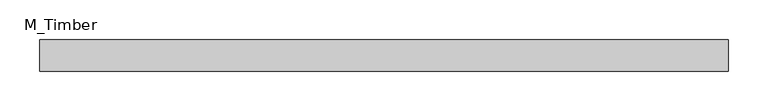
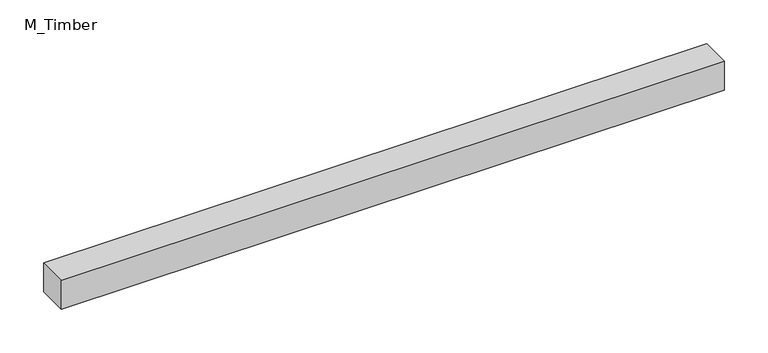
"""IFC4 building model written with IfcOpenShell, lengths in millimetres: beam geometry, M_Timber."""

import ifcopenshell
import ifcopenshell.guid

model = None  # the IFC model being written
_history = None  # IfcOwnerHistory: only IFC2X3 demands one
_inside = {}  # id of a spatial element -> (the spatial element, [elements in it])
_under = {}  # id of a project, library or spatial element -> (it, [spatial elements below it])
_declared = {}  # id of a project -> (the project, [libraries it declares])
_typed = {}  # id of a type object -> (the type object, [elements of that type])
_made_of = {}  # id of a material, layer set ... -> (it, [elements and type objects made of it])


def new_model(schema):
    """Start an empty IFC model of exactly this schema.

    Asked for "IFC4X3", IfcOpenShell would pick the latest addendum, in which some entities
    have other attributes; the version numbers below select the first issue.
    IFC2X3 requires an IfcOwnerHistory on every rooted entity: one is made here for all.
    """
    global model, _history
    if schema == "IFC4X3":
        model = ifcopenshell.file(schema_version=(4, 3, 0, 0))
    else:
        model = ifcopenshell.file(schema=schema)
    _inside.clear()
    _under.clear()
    _declared.clear()
    _typed.clear()
    _made_of.clear()
    _history = None
    if model.schema == "IFC2X3":
        org = make("IfcOrganization", Name="unknown")
        user = make(
            "IfcPersonAndOrganization",
            ThePerson=make("IfcPerson", FamilyName="unknown"),
            TheOrganization=org,
        )
        app = make(
            "IfcApplication",
            ApplicationDeveloper=org,
            Version="unknown",
            ApplicationFullName="unknown",
            ApplicationIdentifier="unknown",
        )
        _history = make(
            "IfcOwnerHistory",
            OwningUser=user,
            OwningApplication=app,
            ChangeAction="ADDED",
            CreationDate=0,
        )
    return model


def make(cls, **values):
    """One entity of the class cls with the attributes given. An attribute that is None is left unset."""
    return model.create_entity(
        cls, **{name: value for name, value in values.items() if value is not None}
    )


def rooted(cls, **values):
    """An entity with a GlobalId (a new one), such as an element, a storey or a relation."""
    return make(cls, GlobalId=ifcopenshell.guid.new(), OwnerHistory=_history, **values)


def si_unit(unit_type, name, prefix=None):
    """IfcSIUnit, for example si_unit("LENGTHUNIT", "METRE", prefix="MILLI")."""
    return make("IfcSIUnit", UnitType=unit_type, Prefix=prefix, Name=name)


def assignment(units):
    """IfcUnitAssignment: the units of a project."""
    return None if units is None else make("IfcUnitAssignment", Units=units)


def point(xyz):
    """IfcCartesianPoint."""
    return None if xyz is None else make("IfcCartesianPoint", Coordinates=xyz)


def direction(xyz):
    """IfcDirection."""
    return None if xyz is None else make("IfcDirection", DirectionRatios=xyz)


def frame(location, z_axis=None, x_axis=None):
    """IfcAxis2Placement3D, a coordinate frame: its origin and axes. An axis left out is left unset."""
    return make(
        "IfcAxis2Placement3D",
        Location=point(location),
        Axis=direction(z_axis),
        RefDirection=direction(x_axis),
    )


def origin():
    """The frame at (0, 0, 0) with its axes left unset."""
    return frame((0.0, 0.0, 0.0))


def place(relative_to, where):
    """IfcLocalPlacement: puts the frame where relative to a parent placement (None: the world)."""
    return make(
        "IfcLocalPlacement", PlacementRelTo=relative_to, RelativePlacement=where
    )


def context(
    kind, dimensions, precision=None, world=None, true_north=None, identifier=None
):
    """IfcGeometricRepresentationContext, for example the 3D "Model" context."""
    return make(
        "IfcGeometricRepresentationContext",
        ContextIdentifier=identifier,
        ContextType=kind,
        CoordinateSpaceDimension=dimensions,
        Precision=precision,
        WorldCoordinateSystem=world,
        TrueNorth=true_north,
    )


def project(units=None, contexts=None):
    """IfcProject with its units and contexts."""
    return rooted(
        "IfcProject",
        Name="project",
        RepresentationContexts=contexts,
        UnitsInContext=assignment(units),
    )


def spatial(cls, under=None, at=None, **own):
    """A site, building, storey or space (cls), placed at a placement, below another one or the project."""
    s = rooted(cls, ObjectPlacement=at, **own)
    if under is not None:
        _under.setdefault(under.id(), (under, []))[1].append(s)
    return s


def polyline(points):
    """IfcPolyline through the points."""
    return make("IfcPolyline", Points=[point(p) for p in points])


def outline(outer, holes=None, kind="AREA"):
    """IfcArbitraryClosedProfileDef: a profile drawn as a closed curve; with holes, ...WithVoids."""
    if holes is None:
        return make("IfcArbitraryClosedProfileDef", ProfileType=kind, OuterCurve=outer)
    return make(
        "IfcArbitraryProfileDefWithVoids",
        ProfileType=kind,
        OuterCurve=outer,
        InnerCurves=holes,
    )


def extrude(swept, where, along, depth):
    """IfcExtrudedAreaSolid: the profile swept, set in the frame where, extruded along a direction by depth."""
    return make(
        "IfcExtrudedAreaSolid",
        SweptArea=swept,
        Position=where,
        ExtrudedDirection=direction(along),
        Depth=depth,
    )


def shape(context_of_items, identifier, shape_type, items):
    """IfcShapeRepresentation: the items that make up one representation, for example the "Body"."""
    return make(
        "IfcShapeRepresentation",
        ContextOfItems=context_of_items,
        RepresentationIdentifier=identifier,
        RepresentationType=shape_type,
        Items=items,
    )


def source(mapping_origin, context_of_items, identifier, shape_type, items):
    """IfcRepresentationMap: a shape defined once, which mapped items show again and again."""
    return make(
        "IfcRepresentationMap",
        MappingOrigin=mapping_origin,
        MappedRepresentation=shape(context_of_items, identifier, shape_type, items),
    )


def transform(
    local_origin,
    x_axis=None,
    y_axis=None,
    z_axis=None,
    scale=None,
    scale2=None,
    scale3=None,
    uniform=True,
):
    """IfcCartesianTransformationOperator3D, or its non-uniform kind. x_axis, y_axis, z_axis: its Axis1, 2, 3."""
    if uniform:
        return make(
            "IfcCartesianTransformationOperator3D",
            Axis1=direction(x_axis),
            Axis2=direction(y_axis),
            LocalOrigin=point(local_origin),
            Scale=scale,
            Axis3=direction(z_axis),
        )
    return make(
        "IfcCartesianTransformationOperator3DnonUniform",
        Axis1=direction(x_axis),
        Axis2=direction(y_axis),
        LocalOrigin=point(local_origin),
        Scale=scale,
        Axis3=direction(z_axis),
        Scale2=scale2,
        Scale3=scale3,
    )


def mapped(mapping_source, mapping_target):
    """IfcMappedItem: shows the shape of a source again, moved by a transform."""
    return make(
        "IfcMappedItem", MappingSource=mapping_source, MappingTarget=mapping_target
    )


def made_of(thing, what):
    """Note that an element or type object is made of a material, layer set ...; save() writes the relation."""
    if what is not None:
        _made_of.setdefault(what.id(), (what, []))[1].append(thing)
    return thing


def element(
    cls,
    number,
    at=None,
    inside=None,
    cuts=None,
    type_object=None,
    material=None,
    context=None,
    identifier="Body",
    shape_type=None,
    held_by="IfcProductDefinitionShape",
    body=None,
    shapes=None,
    **own,
):
    """One element of the class cls, such as IfcWall. Its Tag is "e" and its number.

    at: its placement. inside: the storey or other place that contains it. cuts: it is an
    opening in that element (IfcRelVoidsElement). A single representation is given by context,
    identifier, shape_type and body (its items); several are given by shapes. held_by: the class
    of the entity that holds the representations. save() writes the other relations.
    """
    e = rooted(cls, Tag="e%d" % number, ObjectPlacement=at, **own)
    if body is not None:
        shapes = [shape(context, identifier, shape_type, body)]
    if shapes is not None:
        e.Representation = make(held_by, Representations=shapes)
    if inside is not None:
        _inside.setdefault(inside.id(), (inside, []))[1].append(e)
    if cuts is not None:
        rooted(
            "IfcRelVoidsElement", RelatingBuildingElement=cuts, RelatedOpeningElement=e
        )
    if type_object is not None:
        _typed.setdefault(type_object.id(), (type_object, []))[1].append(e)
    return made_of(e, material)


def aggregate(whole, parts):
    """IfcRelAggregates: a whole, such as a stair, and the parts it consists of."""
    return rooted("IfcRelAggregates", RelatingObject=whole, RelatedObjects=parts)


def save(model, path):
    """Write the relations noted so far, then the file.

    IfcRelAggregates (storeys below a building ...), IfcRelContainedInSpatialStructure (elements
    in a storey), IfcRelDefinesByType, IfcRelAssociatesMaterial and IfcRelDeclares: one each for
    every whole, place, type object, material and project.
    """
    for whole, parts in _under.values():
        aggregate(whole, parts)
    for where, things in _inside.values():
        rooted(
            "IfcRelContainedInSpatialStructure",
            RelatedElements=things,
            RelatingStructure=where,
        )
    for kind, things in _typed.values():
        rooted("IfcRelDefinesByType", RelatedObjects=things, RelatingType=kind)
    for what, things in _made_of.values():
        rooted("IfcRelAssociatesMaterial", RelatedObjects=things, RelatingMaterial=what)
    for by, libraries in _declared.values():
        rooted("IfcRelDeclares", RelatingContext=by, RelatedDefinitions=libraries)
    model.write(path)


def m_timber_2216ad68(model_context):
    return source(origin(), model_context, "Body", "SweptSolid", [
        extrude(outline(polyline([(435.8274892, 20.0), (435.8274892, -20.0), (-435.8274892, -20.0), (-435.8274892, 20.0), (435.8274892, 20.0)])), frame((0.0, 0.0, -20.0), z_axis=(0.0, 0.0, 1.0), x_axis=(1.0, 0.0, 0.0)), (0.0, 0.0, 1.0), 40.0),
    ])


if __name__ == "__main__":
    model = new_model("IFC4")
    model_context = context("Model", 3, world=origin())
    ifc_project = project(units=[si_unit("LENGTHUNIT", "METRE", prefix="MILLI")], contexts=[model_context])
    site = spatial("IfcSite", under=ifc_project)
    building = spatial("IfcBuilding", under=site)
    placement = place(None, origin())
    m_timber_shape = m_timber_2216ad68(model_context)
    element("IfcBeam", 1, ObjectType="M_Timber", at=placement, inside=building, context=model_context, shape_type="MappedRepresentation", body=[
        mapped(m_timber_shape, transform((0.0, 0.0, 0.0), x_axis=(1.0, 0.0, 0.0), y_axis=(0.0, 1.0, 0.0), z_axis=(0.0, 0.0, 1.0))),
    ])
    save(model, "model.ifc")
